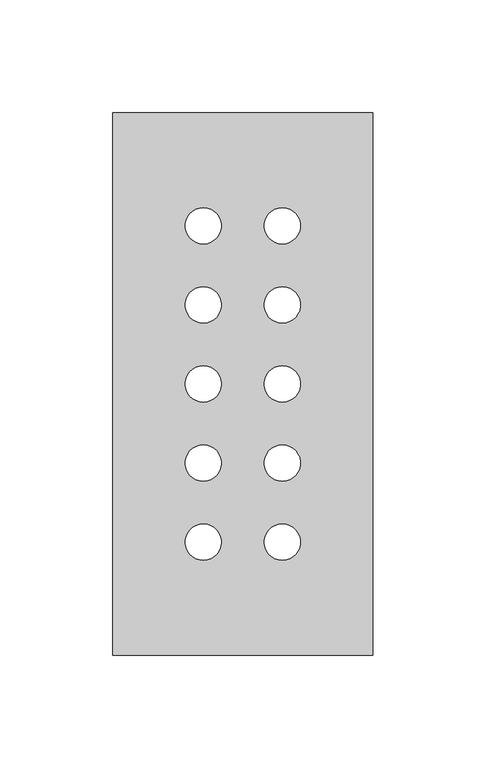
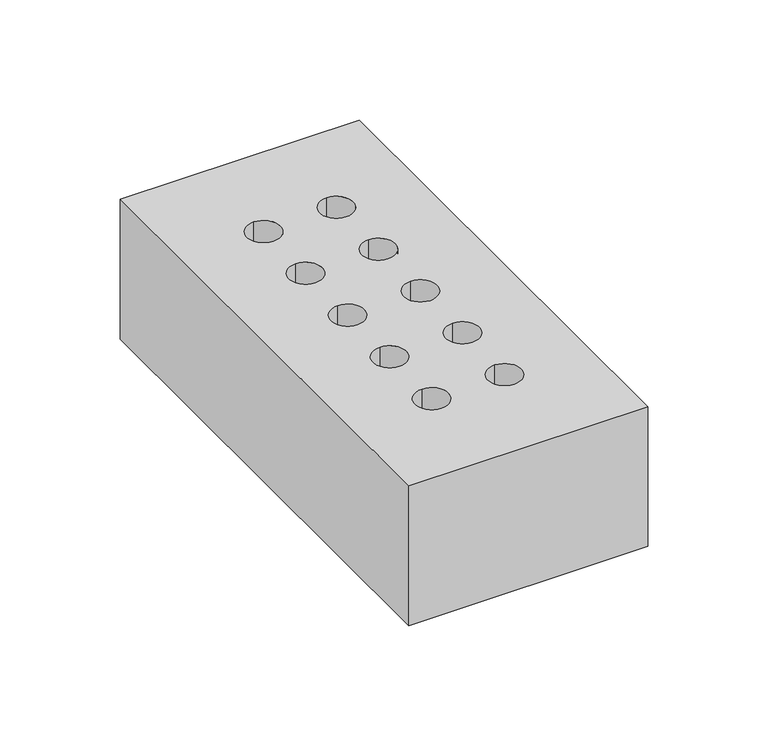
"""IFC4 building model written with IfcOpenShell, lengths in millimetres: proxy geometry."""

from ifc_helpers import new_model, si_unit, point, frame_2d, origin, origin_with_axes, place, context, project, spatial, polyline, circle_curve, trimmed, segment, composite_curve, outline, extrude, source, transform, mapped, element, save


def generic_models_9a820a40(model_context):
    return source(origin(), model_context, "Body", "SweptSolid", [
        extrude(outline(polyline([(0.0, 240.0), (115.0, 240.0), (115.0, 0.0), (0.0, 0.0), (0.0, 240.0)]), holes=[composite_curve([segment(trimmed(circle_curve(frame_2d((75.0, 50.0)), 8.0), [point((75.0, 58.0))], [point((75.0, 42.0))], True, "CARTESIAN"), True, "CONTINUOUS"), segment(trimmed(circle_curve(frame_2d((75.0, 50.0)), 8.0), [point((75.0, 42.0))], [point((75.0, 58.0))], True, "CARTESIAN"), True, "CONTINUOUS")], self_intersect=False), composite_curve([segment(trimmed(circle_curve(frame_2d((40.0, 50.0)), 8.0), [point((40.0, 58.0))], [point((40.0, 42.0))], True, "CARTESIAN"), True, "CONTINUOUS"), segment(trimmed(circle_curve(frame_2d((40.0, 50.0)), 8.0), [point((40.0, 42.0))], [point((40.0, 58.0))], True, "CARTESIAN"), True, "CONTINUOUS")], self_intersect=False), composite_curve([segment(trimmed(circle_curve(frame_2d((40.0, 120.0)), 8.0), [point((40.0, 128.0))], [point((40.0, 112.0))], True, "CARTESIAN"), True, "CONTINUOUS"), segment(trimmed(circle_curve(frame_2d((40.0, 120.0)), 8.0), [point((40.0, 112.0))], [point((40.0, 128.0))], True, "CARTESIAN"), True, "CONTINUOUS")], self_intersect=False), composite_curve([segment(trimmed(circle_curve(frame_2d((40.0, 155.0)), 8.0), [point((40.0, 163.0))], [point((40.0, 147.0))], True, "CARTESIAN"), True, "CONTINUOUS"), segment(trimmed(circle_curve(frame_2d((40.0, 155.0)), 8.0), [point((40.0, 147.0))], [point((40.0, 163.0))], True, "CARTESIAN"), True, "CONTINUOUS")], self_intersect=False), composite_curve([segment(trimmed(circle_curve(frame_2d((40.0, 190.0)), 8.0), [point((40.0, 198.0))], [point((40.0, 182.0))], True, "CARTESIAN"), True, "CONTINUOUS"), segment(trimmed(circle_curve(frame_2d((40.0, 190.0)), 8.0), [point((40.0, 182.0))], [point((40.0, 198.0))], True, "CARTESIAN"), True, "CONTINUOUS")], self_intersect=False), composite_curve([segment(trimmed(circle_curve(frame_2d((40.0, 85.0)), 8.0), [point((40.0, 93.0))], [point((40.0, 77.0))], True, "CARTESIAN"), True, "CONTINUOUS"), segment(trimmed(circle_curve(frame_2d((40.0, 85.0)), 8.0), [point((40.0, 77.0))], [point((40.0, 93.0))], True, "CARTESIAN"), True, "CONTINUOUS")], self_intersect=False), composite_curve([segment(trimmed(circle_curve(frame_2d((75.0, 190.0)), 8.0), [point((75.0, 198.0))], [point((75.0, 182.0))], True, "CARTESIAN"), True, "CONTINUOUS"), segment(trimmed(circle_curve(frame_2d((75.0, 190.0)), 8.0), [point((75.0, 182.0))], [point((75.0, 198.0))], True, "CARTESIAN"), True, "CONTINUOUS")], self_intersect=False), composite_curve([segment(trimmed(circle_curve(frame_2d((75.0, 155.0)), 8.0), [point((75.0, 163.0))], [point((75.0, 147.0))], True, "CARTESIAN"), True, "CONTINUOUS"), segment(trimmed(circle_curve(frame_2d((75.0, 155.0)), 8.0), [point((75.0, 147.0))], [point((75.0, 163.0))], True, "CARTESIAN"), True, "CONTINUOUS")], self_intersect=False), composite_curve([segment(trimmed(circle_curve(frame_2d((75.0, 120.0)), 8.0), [point((75.0, 128.0))], [point((75.0, 112.0))], True, "CARTESIAN"), True, "CONTINUOUS"), segment(trimmed(circle_curve(frame_2d((75.0, 120.0)), 8.0), [point((75.0, 112.0))], [point((75.0, 128.0))], True, "CARTESIAN"), True, "CONTINUOUS")], self_intersect=False), composite_curve([segment(trimmed(circle_curve(frame_2d((75.0, 85.0)), 8.0), [point((75.0, 93.0))], [point((75.0, 77.0))], True, "CARTESIAN"), True, "CONTINUOUS"), segment(trimmed(circle_curve(frame_2d((75.0, 85.0)), 8.0), [point((75.0, 77.0))], [point((75.0, 93.0))], True, "CARTESIAN"), True, "CONTINUOUS")], self_intersect=False)]), origin_with_axes(), (0.0, 0.0, 1.0), 71.0),
    ])


if __name__ == "__main__":
    model = new_model("IFC4")
    model_context = context("Model", 3, world=origin())
    ifc_project = project(units=[si_unit("LENGTHUNIT", "METRE", prefix="MILLI")], contexts=[model_context])
    site = spatial("IfcSite", under=ifc_project)
    building = spatial("IfcBuilding", under=site)
    placement = place(None, origin())
    generic_models_shape = generic_models_9a820a40(model_context)
    element("IfcBuildingElementProxy", 1, Name="Generic Models", at=placement, inside=building, context=model_context, shape_type="MappedRepresentation", body=[
        mapped(generic_models_shape, transform((0.0, 0.0, 0.0), x_axis=(1.0, 0.0, 0.0), y_axis=(0.0, 1.0, 0.0), z_axis=(0.0, 0.0, 1.0))),
    ])
    save(model, "model.ifc")
